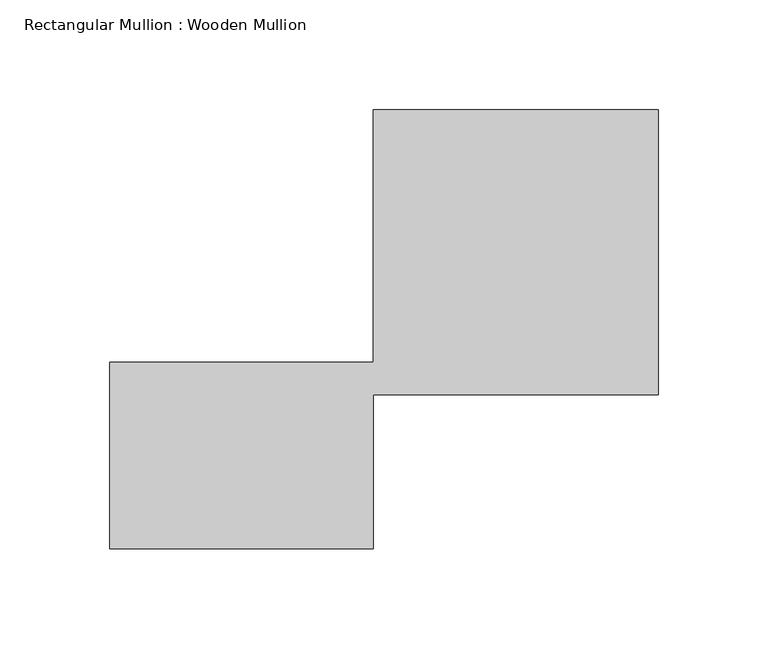
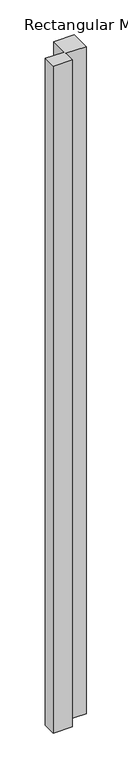
"""IFC4 building model written with IfcOpenShell, lengths in millimetres: member geometry, Rectangular Mullion : Wooden Mullion."""

from ifc_helpers import new_model, si_unit, frame, origin, place, context, project, spatial, polyline, outline, extrude, source, transform, mapped, element, save


def rectangular_mullion_wooden_mullion_6f40a512(model_context):
    return source(origin(), model_context, "Body", "SweptSolid", [
        extrude(outline(polyline([(74.8100006, -26.0137344), (-45.1899994, -26.0137344), (-45.1899994, 58.9862656), (74.8100006, 58.9862656), (74.8100006, 173.9862656), (204.8100006, 173.9862656), (204.8100006, 43.9862656), (74.8100006, 43.9862656), (74.8100006, -26.0137344)])), frame((0.0, 0.0, -4467.8491155), z_axis=(0.0, 0.0, 1.0), x_axis=(1.0, 0.0, 0.0)), (0.0, 0.0, 1.0), 4467.8491155),
    ])


if __name__ == "__main__":
    model = new_model("IFC4")
    model_context = context("Model", 3, world=origin())
    ifc_project = project(units=[si_unit("LENGTHUNIT", "METRE", prefix="MILLI")], contexts=[model_context])
    site = spatial("IfcSite", under=ifc_project)
    building = spatial("IfcBuilding", under=site)
    placement = place(None, origin())
    rectangular_mullion_wooden_mullion_shape = rectangular_mullion_wooden_mullion_6f40a512(model_context)
    element("IfcMember", 1, ObjectType="Rectangular Mullion : Wooden Mullion", at=placement, inside=building, context=model_context, shape_type="MappedRepresentation", body=[
        mapped(rectangular_mullion_wooden_mullion_shape, transform((0.0, 0.0, 0.0), x_axis=(1.0, 0.0, 0.0), y_axis=(0.0, 1.0, 0.0), z_axis=(0.0, 0.0, 1.0))),
    ])
    save(model, "model.ifc")
